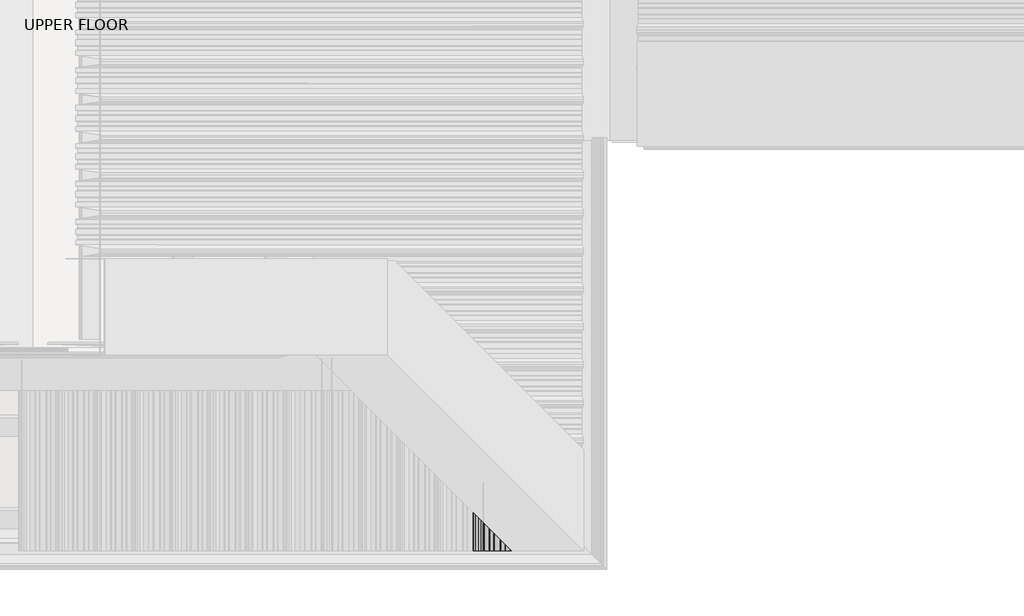
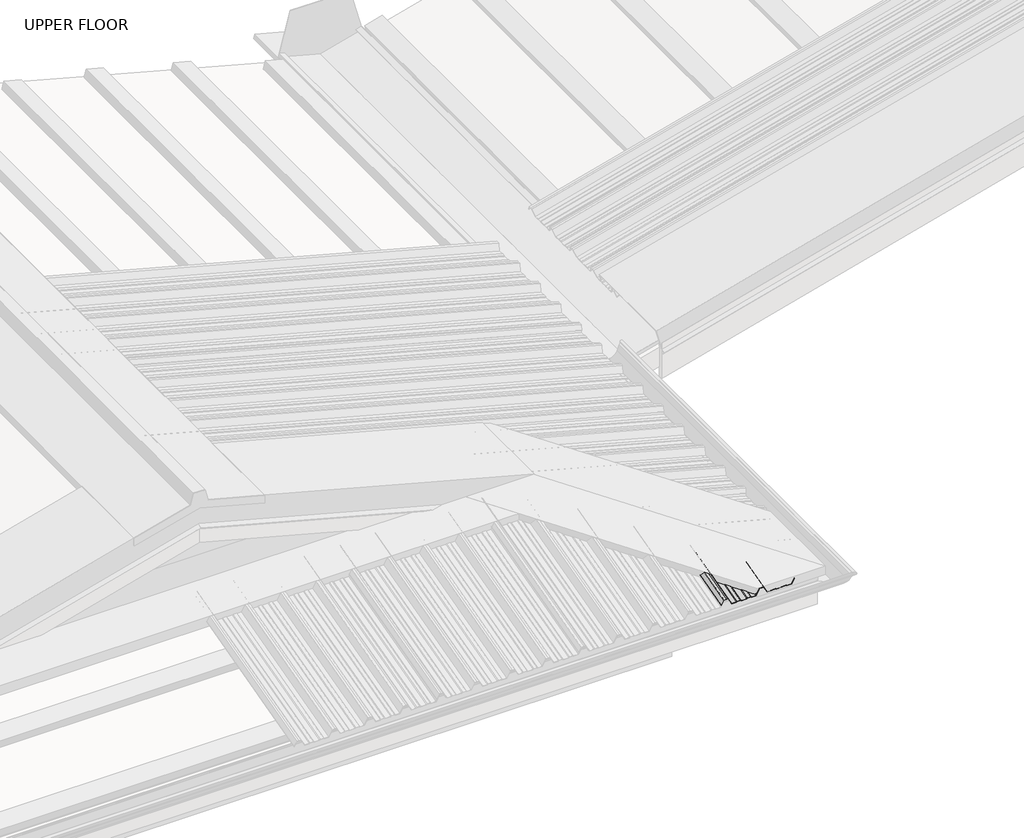
# One storey, part 11 of 21: 1 beam.
"""IFC4 building model written with IfcOpenShell, lengths in millimetres."""

import ifcopenshell
import ifcopenshell.guid

model = None  # the IFC model being written
_history = None  # IfcOwnerHistory: only IFC2X3 demands one
_inside = {}  # id of a spatial element -> (the spatial element, [elements in it])
_under = {}  # id of a project, library or spatial element -> (it, [spatial elements below it])
_declared = {}  # id of a project -> (the project, [libraries it declares])
_typed = {}  # id of a type object -> (the type object, [elements of that type])
_made_of = {}  # id of a material, layer set ... -> (it, [elements and type objects made of it])


def new_model(schema):
    """Start an empty IFC model of exactly this schema.

    Asked for "IFC4X3", IfcOpenShell would pick the latest addendum, in which some entities
    have other attributes; the version numbers below select the first issue.
    IFC2X3 requires an IfcOwnerHistory on every rooted entity: one is made here for all.
    """
    global model, _history
    if schema == "IFC4X3":
        model = ifcopenshell.file(schema_version=(4, 3, 0, 0))
    else:
        model = ifcopenshell.file(schema=schema)
    _inside.clear()
    _under.clear()
    _declared.clear()
    _typed.clear()
    _made_of.clear()
    _history = None
    if model.schema == "IFC2X3":
        org = make("IfcOrganization", Name="unknown")
        user = make(
            "IfcPersonAndOrganization",
            ThePerson=make("IfcPerson", FamilyName="unknown"),
            TheOrganization=org,
        )
        app = make(
            "IfcApplication",
            ApplicationDeveloper=org,
            Version="unknown",
            ApplicationFullName="unknown",
            ApplicationIdentifier="unknown",
        )
        _history = make(
            "IfcOwnerHistory",
            OwningUser=user,
            OwningApplication=app,
            ChangeAction="ADDED",
            CreationDate=0,
        )
    return model


def make(cls, **values):
    """One entity of the class cls with the attributes given. An attribute that is None is left unset."""
    return model.create_entity(
        cls, **{name: value for name, value in values.items() if value is not None}
    )


def rooted(cls, **values):
    """An entity with a GlobalId (a new one), such as an element, a storey or a relation."""
    return make(cls, GlobalId=ifcopenshell.guid.new(), OwnerHistory=_history, **values)


def si_unit(unit_type, name, prefix=None):
    """IfcSIUnit, for example si_unit("LENGTHUNIT", "METRE", prefix="MILLI")."""
    return make("IfcSIUnit", UnitType=unit_type, Prefix=prefix, Name=name)


def assignment(units):
    """IfcUnitAssignment: the units of a project."""
    return None if units is None else make("IfcUnitAssignment", Units=units)


def point(xyz):
    """IfcCartesianPoint."""
    return None if xyz is None else make("IfcCartesianPoint", Coordinates=xyz)


def direction(xyz):
    """IfcDirection."""
    return None if xyz is None else make("IfcDirection", DirectionRatios=xyz)


def frame(location, z_axis=None, x_axis=None):
    """IfcAxis2Placement3D, a coordinate frame: its origin and axes. An axis left out is left unset."""
    return make(
        "IfcAxis2Placement3D",
        Location=point(location),
        Axis=direction(z_axis),
        RefDirection=direction(x_axis),
    )


def origin():
    """The frame at (0, 0, 0) with its axes left unset."""
    return frame((0.0, 0.0, 0.0))


def place(relative_to, where):
    """IfcLocalPlacement: puts the frame where relative to a parent placement (None: the world)."""
    return make(
        "IfcLocalPlacement", PlacementRelTo=relative_to, RelativePlacement=where
    )


def context(
    kind, dimensions, precision=None, world=None, true_north=None, identifier=None
):
    """IfcGeometricRepresentationContext, for example the 3D "Model" context."""
    return make(
        "IfcGeometricRepresentationContext",
        ContextIdentifier=identifier,
        ContextType=kind,
        CoordinateSpaceDimension=dimensions,
        Precision=precision,
        WorldCoordinateSystem=world,
        TrueNorth=true_north,
    )


def project(units=None, contexts=None):
    """IfcProject with its units and contexts."""
    return rooted(
        "IfcProject",
        Name="project",
        RepresentationContexts=contexts,
        UnitsInContext=assignment(units),
    )


def spatial(cls, under=None, at=None, **own):
    """A site, building, storey or space (cls), placed at a placement, below another one or the project."""
    s = rooted(cls, ObjectPlacement=at, **own)
    if under is not None:
        _under.setdefault(under.id(), (under, []))[1].append(s)
    return s


def ellipse_curve(where, semi_axis1, semi_axis2):
    """IfcEllipse in the frame where."""
    return make(
        "IfcEllipse", Position=where, SemiAxis1=semi_axis1, SemiAxis2=semi_axis2
    )


def shape(context_of_items, identifier, shape_type, items):
    """IfcShapeRepresentation: the items that make up one representation, for example the "Body"."""
    return make(
        "IfcShapeRepresentation",
        ContextOfItems=context_of_items,
        RepresentationIdentifier=identifier,
        RepresentationType=shape_type,
        Items=items,
    )


def made_of(thing, what):
    """Note that an element or type object is made of a material, layer set ...; save() writes the relation."""
    if what is not None:
        _made_of.setdefault(what.id(), (what, []))[1].append(thing)
    return thing


def element(
    cls,
    number,
    at=None,
    inside=None,
    cuts=None,
    type_object=None,
    material=None,
    context=None,
    identifier="Body",
    shape_type=None,
    held_by="IfcProductDefinitionShape",
    body=None,
    shapes=None,
    **own,
):
    """One element of the class cls, such as IfcWall. Its Tag is "e" and its number.

    at: its placement. inside: the storey or other place that contains it. cuts: it is an
    opening in that element (IfcRelVoidsElement). A single representation is given by context,
    identifier, shape_type and body (its items); several are given by shapes. held_by: the class
    of the entity that holds the representations. save() writes the other relations.
    """
    e = rooted(cls, Tag="e%d" % number, ObjectPlacement=at, **own)
    if body is not None:
        shapes = [shape(context, identifier, shape_type, body)]
    if shapes is not None:
        e.Representation = make(held_by, Representations=shapes)
    if inside is not None:
        _inside.setdefault(inside.id(), (inside, []))[1].append(e)
    if cuts is not None:
        rooted(
            "IfcRelVoidsElement", RelatingBuildingElement=cuts, RelatedOpeningElement=e
        )
    if type_object is not None:
        _typed.setdefault(type_object.id(), (type_object, []))[1].append(e)
    return made_of(e, material)


def aggregate(whole, parts):
    """IfcRelAggregates: a whole, such as a stair, and the parts it consists of."""
    return rooted("IfcRelAggregates", RelatingObject=whole, RelatedObjects=parts)


def save(model, path):
    """Write the relations noted so far, then the file.

    IfcRelAggregates (storeys below a building ...), IfcRelContainedInSpatialStructure (elements
    in a storey), IfcRelDefinesByType, IfcRelAssociatesMaterial and IfcRelDeclares: one each for
    every whole, place, type object, material and project.
    """
    for whole, parts in _under.values():
        aggregate(whole, parts)
    for where, things in _inside.values():
        rooted(
            "IfcRelContainedInSpatialStructure",
            RelatedElements=things,
            RelatingStructure=where,
        )
    for kind, things in _typed.values():
        rooted("IfcRelDefinesByType", RelatedObjects=things, RelatingType=kind)
    for what, things in _made_of.values():
        rooted("IfcRelAssociatesMaterial", RelatedObjects=things, RelatingMaterial=what)
    for by, libraries in _declared.values():
        rooted("IfcRelDeclares", RelatingContext=by, RelatedDefinitions=libraries)
    model.write(path)


def plane_surface(at):
    """IfcPlane: the flat surface through the origin of the frame at, square to its z axis."""
    return make("IfcPlane", Position=at)


def cylinder_surface(at, radius):
    """IfcCylindricalSurface: all points at the distance radius from the z axis of the frame at."""
    return make("IfcCylindricalSurface", Position=at, Radius=radius)


def advanced_brep(points, edges, surfaces, faces):
    """IfcAdvancedBrep: a solid bounded by faces that lie on surfaces and meet in shared edges.

    An edge is (start, end): straight between two places in points (the first is 0);
    or (start, end, curve); or (start, end, curve, False) where it runs against its curve.
    A face is (place in surfaces, loops), or (place, loops, False) where it looks against
    its surface's normal. A loop lists edges by number (the first is 1), with a minus sign
    where the edge is run from its end to its start. The first loop is the outer one.
    """
    corners = [point(p) for p in points]
    vertices = [make("IfcVertexPoint", VertexGeometry=c) for c in corners]
    made = []
    for start, end, *more in edges:
        made.append(
            make(
                "IfcEdgeCurve",
                EdgeStart=vertices[start],
                EdgeEnd=vertices[end],
                EdgeGeometry=more[0] if more else make("IfcPolyline", Points=[corners[start], corners[end]]),
                SameSense=more[1] if len(more) > 1 else True,
            )
        )
    hull = []
    for where, loops, *sense in faces:
        bounds = []
        for j, loop in enumerate(loops):
            ring = [make("IfcOrientedEdge", EdgeElement=made[abs(k) - 1], Orientation=k > 0) for k in loop]
            bounds.append(
                make(
                    "IfcFaceOuterBound" if j == 0 else "IfcFaceBound",
                    Bound=make("IfcEdgeLoop", EdgeList=ring),
                    Orientation=True,
                )
            )
        hull.append(make("IfcAdvancedFace", Bounds=bounds, FaceSurface=surfaces[where], SameSense=sense[0] if sense else True))
    return make("IfcAdvancedBrep", Outer=make("IfcClosedShell", CfsFaces=hull))


model = new_model("IFC4")

# Units and contexts
model_context = context("Model", 3, world=origin())
ifc_project = project(units=[si_unit("LENGTHUNIT", "METRE", prefix="MILLI")], contexts=[model_context])

# Site, building, storey
site = spatial("IfcSite", under=ifc_project)
building = spatial("IfcBuilding", under=site)
storey = spatial("IfcBuildingStorey", under=building, Name="UPPER FLOOR", Elevation=2700.0)

# Beam
placement = place(None, origin())
element("IfcBeam", 1, ObjectType="MC700", at=placement, inside=storey, context=model_context, shape_type="AdvancedBrep", body=[
    advanced_brep(
    [(4377.2732135, -4599.960525, 3276.3042536), (4381.6535312, -4604.3408427, 3277.2427487), (4381.6535312, -4660.4975954, 3262.1955922), (4377.2732135, -4660.4975954, 3260.0833945), (4350.2151918, -4572.9025033, 3283.5544287), (4350.2151918, -4660.4975954, 3260.0833945), (4345.8348741, -4568.5221856, 3286.840329), (4345.8348741, -4660.4975954, 3262.1955922), (4329.4068828, -4552.0941943, 3291.242196), (4329.4068828, -4660.4975954, 3262.1955922), (4326.1918386, -4548.8791501, 3289.9914667), (4326.1918386, -4660.4975954, 3260.0833945), (4303.4942011, -4526.1815126, 3296.0732804), (4303.4942011, -4660.4975954, 3260.0833945), (4285.4196911, -4508.1070026, 3333.0098923), (4285.4196911, -4660.4975954, 3292.176956), (4274.9942026, -4497.6815141, 3335.8033935), (4274.9942026, -4660.4975954, 3292.176956), (4264.5687142, -4487.2560257, 3338.5968948), (4264.5687142, -4660.4975954, 3292.176956), (4246.4942042, -4469.1815157, 3311.3463835), (4246.4942042, -4660.4975954, 3260.0833945), (4223.7965667, -4446.4838782, 3317.4281972), (4223.7965667, -4660.4975954, 3260.0833945), (4220.5815225, -4443.268834, 3320.4018634), (4220.5815225, -4660.4975954, 3262.1955922), (4204.1535312, -4426.8408427, 3324.8037304), (4204.1535312, -4660.4975954, 3262.1955922), (4199.7732135, -4422.460525, 3323.8652352), (4199.7732135, -4660.4975954, 3260.0833945), (4172.7151918, -4395.4025033, 3331.1154103), (4172.7151918, -4660.4975954, 3260.0833945), (4168.3348741, -4391.0221856, 3334.4013106), (4168.3348741, -4660.4975954, 3262.1955922), (4151.9068828, -4374.5941943, 3338.8031776), (4151.9068828, -4660.4975954, 3262.1955922), (4148.6918386, -4371.3791501, 3337.5524484), (4148.6918386, -4660.4975954, 3260.0833945), (4125.9942011, -4348.6815126, 3343.6342621), (4125.9942011, -4660.4975954, 3260.0833945), (4107.9196911, -4330.6070026, 3380.570874), (4107.9196911, -4660.4975954, 3292.176956), (4097.4942026, -4320.1815141, 3383.3643752), (4097.4942026, -4660.4975954, 3292.176956), (4087.0687142, -4309.7560257, 3386.1578764), (4087.0687142, -4660.4975954, 3292.176956), (4074.7658996, -4297.4532111, 3367.6092138), (4074.7658996, -4660.4975954, 3270.3317642), (4073.9020137, -4296.5893252, 3368.3621471), (4073.9020137, -4660.4975954, 3270.8532199), (4086.4942026, -4309.1815141, 3387.3470925), (4086.4942026, -4660.4975954, 3293.2122322), (4097.4942026, -4320.1815141, 3384.3996514), (4097.4942026, -4660.4975954, 3293.2122322), (4108.4942026, -4331.1815141, 3381.4522103), (4108.4942026, -4660.4975954, 3293.2122322), (4126.5687126, -4349.2560241, 3344.5155983), (4126.5687126, -4660.4975954, 3261.1186706), (4148.4013241, -4371.0886356, 3338.6655677), (4148.4013241, -4660.4975954, 3261.1186706), (4151.6163683, -4374.3036798, 3339.9162969), (4151.6163683, -4660.4975954, 3263.2308683), (4168.5563376, -4391.2436491, 3335.3772458), (4168.5563376, -4660.4975954, 3263.2308683), (4172.9366553, -4395.6239668, 3332.0913455), (4172.9366553, -4660.4975954, 3261.1186706), (4199.55175, -4422.2390615, 3324.9598524), (4199.55175, -4660.4975954, 3261.1186706), (4203.9320677, -4426.6193792, 3325.8983475), (4203.9320677, -4660.4975954, 3263.2308683), (4220.872037, -4443.5593485, 3321.3592964), (4220.872037, -4660.4975954, 3263.2308683), (4224.0870812, -4446.7743927, 3318.3856302), (4224.0870812, -4660.4975954, 3261.1186706), (4245.9196927, -4468.6070041, 3312.5355996), (4245.9196927, -4660.4975954, 3261.1186706), (4263.9942026, -4486.6815141, 3339.7861108), (4263.9942026, -4660.4975954, 3293.2122322), (4274.9942026, -4497.6815141, 3336.8386697), (4274.9942026, -4660.4975954, 3293.2122322), (4285.9942026, -4508.6815141, 3333.8912286), (4285.9942026, -4660.4975954, 3293.2122322), (4304.0687126, -4526.7560241, 3296.9546167), (4304.0687126, -4660.4975954, 3261.1186706), (4325.9013241, -4548.5886356, 3291.1045861), (4325.9013241, -4660.4975954, 3261.1186706), (4329.1163683, -4551.8036798, 3292.3553153), (4329.1163683, -4660.4975954, 3263.2308683), (4346.0563376, -4568.7436491, 3287.8162642), (4346.0563376, -4660.4975954, 3263.2308683), (4350.4366553, -4573.1239668, 3284.5303639), (4350.4366553, -4660.4975954, 3261.1186706), (4377.05175, -4599.7390615, 3277.3988707), (4377.05175, -4660.4975954, 3261.1186706), (4381.4320677, -4604.1193792, 3278.3373659), (4381.4320677, -4660.4975954, 3263.2308683), (4398.372037, -4621.0593485, 3273.7983148), (4398.372037, -4660.4975954, 3263.2308683), (4401.5870812, -4624.2743927, 3270.8246486), (4401.5870812, -4660.4975954, 3261.1186706), (4423.4196927, -4646.1070041, 3264.974618), (4423.4196927, -4660.4975954, 3261.1186706), (4437.810284, -4660.4975954, 3286.6709721), (4423.9942042, -4646.6815157, 3263.7854019), (4437.810284, -4660.4975954, 3284.6155785), (4423.9942042, -4660.4975954, 3260.0833945), (4401.2965667, -4623.9838782, 3269.8672155), (4401.2965667, -4660.4975954, 3260.0833945), (4398.0815225, -4620.768834, 3272.8408817), (4398.0815225, -4660.4975954, 3262.1955922)],
    [
        (0, 1),
        (1, 2),
        (2, 3),
        (3, 0),
        (4, 0),
        (3, 5),
        (5, 4),
        (6, 4),
        (5, 7),
        (7, 6),
        (8, 6),
        (7, 9),
        (9, 8),
        (10, 8),
        (9, 11),
        (11, 10),
        (12, 10),
        (11, 13),
        (13, 12),
        (14, 12),
        (13, 15),
        (15, 14),
        (16, 14),
        (15, 17),
        (17, 16),
        (18, 16),
        (17, 19),
        (19, 18),
        (20, 18),
        (19, 21),
        (21, 20),
        (22, 20),
        (21, 23),
        (23, 22),
        (24, 22),
        (23, 25),
        (25, 24),
        (26, 24),
        (25, 27),
        (27, 26),
        (28, 26),
        (27, 29),
        (29, 28),
        (30, 28),
        (29, 31),
        (31, 30),
        (32, 30),
        (31, 33),
        (33, 32),
        (34, 32),
        (33, 35),
        (35, 34),
        (36, 34),
        (35, 37),
        (37, 36),
        (38, 36),
        (37, 39),
        (39, 38),
        (40, 38),
        (39, 41),
        (41, 40),
        (42, 40),
        (41, 43),
        (43, 42),
        (44, 42),
        (43, 45),
        (45, 44),
        (46, 44),
        (45, 47),
        (47, 46),
        (48, 46, ellipse_curve(frame((4074.3339567, -4297.0212681, 3367.9856804), z_axis=(-0.7071067811865475, -0.7071067811865476, 0.0), x_axis=(-0.6612248329466449, 0.6612248329466448, 0.3543493200069154)), 0.7320508, 0.5)),
        (47, 49, ellipse_curve(frame((4074.3339567, -4660.4975954, 3270.5924921), z_axis=(0.0, 1.0, 0.0), x_axis=(0.0, 0.0, 1.0)), 0.5176381, 0.5)),
        (49, 48),
        (50, 48),
        (49, 51),
        (51, 50),
        (52, 50),
        (51, 53),
        (53, 52),
        (54, 52),
        (53, 55),
        (55, 54),
        (56, 54),
        (55, 57),
        (57, 56),
        (58, 56),
        (57, 59),
        (59, 58),
        (60, 58),
        (59, 61),
        (61, 60),
        (62, 60),
        (61, 63),
        (63, 62),
        (64, 62),
        (63, 65),
        (65, 64),
        (66, 64),
        (65, 67),
        (67, 66),
        (68, 66),
        (67, 69),
        (69, 68),
        (70, 68),
        (69, 71),
        (71, 70),
        (72, 70),
        (71, 73),
        (73, 72),
        (74, 72),
        (73, 75),
        (75, 74),
        (76, 74),
        (75, 77),
        (77, 76),
        (78, 76),
        (77, 79),
        (79, 78),
        (80, 78),
        (79, 81),
        (81, 80),
        (82, 80),
        (81, 83),
        (83, 82),
        (84, 82),
        (83, 85),
        (85, 84),
        (86, 84),
        (85, 87),
        (87, 86),
        (88, 86),
        (87, 89),
        (89, 88),
        (90, 88),
        (89, 91),
        (91, 90),
        (92, 90),
        (91, 93),
        (93, 92),
        (94, 92),
        (93, 95),
        (95, 94),
        (96, 94),
        (95, 97),
        (97, 96),
        (98, 96),
        (97, 99),
        (99, 98),
        (100, 98),
        (99, 101),
        (101, 100),
        (102, 100),
        (101, 102),
        (103, 104),
        (104, 105),
        (105, 103),
        (106, 103),
        (105, 107),
        (107, 106),
        (108, 106),
        (107, 109),
        (109, 108),
        (1, 108),
        (109, 2),
        (102, 104),
    ],
    [
        plane_surface(frame((4381.6535312, -3757.2355366, 3504.2239314), z_axis=(0.42221886042244317, 0.23461789175161535, -0.8756058923817271), x_axis=(0.0, -0.9659258262890683, -0.2588190451025206))),
        plane_surface(frame((4377.2732135, -3756.7074872, 3502.2532241), z_axis=(0.0, 0.2588190451025206, -0.9659258262890683), x_axis=(0.0, -0.9659258262890683, -0.2588190451025206))),
        plane_surface(frame((4350.2151918, -3756.7074872, 3502.2532241), z_axis=(-0.42221886042244317, 0.23461789175161676, -0.8756058923817267), x_axis=(0.0, -0.9659258262890683, -0.2588190451025206))),
        plane_surface(frame((4345.8348741, -3757.2355366, 3504.2239314), z_axis=(0.0, 0.2588190451025206, -0.9659258262890683), x_axis=(0.0, -0.9659258262890683, -0.2588190451025206))),
        plane_surface(frame((4329.4068828, -3757.2355366, 3504.2239314), z_axis=(0.5358075541289593, 0.21853130769187554, -0.8155699433505511), x_axis=(0.0, -0.9659258262890683, -0.2588190451025206))),
        plane_surface(frame((4326.1918386, -3756.7074872, 3502.2532241), z_axis=(0.0, 0.2588190451025206, -0.9659258262890683), x_axis=(0.0, -0.9659258262890683, -0.2588190451025206))),
        plane_surface(frame((4303.4942011, -3756.7074872, 3502.2532241), z_axis=(-0.8638858976217886, 0.1303639327417882, -0.4865248204668401), x_axis=(0.0, -0.9659258262890683, -0.2588190451025206))),
        plane_surface(frame((4285.4196911, -3764.7308776, 3532.1969247), z_axis=(0.0, 0.2588190451025206, -0.9659258262890683), x_axis=(0.0, -0.9659258262890683, -0.2588190451025206))),
        plane_surface(frame((4274.9942026, -3764.7308776, 3532.1969247), z_axis=(0.0, 0.2588190451025206, -0.9659258262890683), x_axis=(0.0, -0.9659258262890683, -0.2588190451025206))),
        plane_surface(frame((4264.5687142, -3764.7308776, 3532.1969247), z_axis=(0.8638858976217945, 0.13036393274178276, -0.4865248204668313), x_axis=(0.0, -0.9659258262890683, -0.2588190451025206))),
        plane_surface(frame((4246.4942042, -3756.7074872, 3502.2532241), z_axis=(0.0, 0.2588190451025206, -0.9659258262890683), x_axis=(0.0, -0.9659258262890683, -0.2588190451025206))),
        plane_surface(frame((4223.7965667, -3756.7074872, 3502.2532241), z_axis=(-0.53580755412894, 0.21853130769188048, -0.8155699433505624), x_axis=(0.0, -0.9659258262890683, -0.2588190451025206))),
        plane_surface(frame((4220.5815225, -3757.2355366, 3504.2239314), z_axis=(0.0, 0.2588190451025206, -0.9659258262890683), x_axis=(0.0, -0.9659258262890683, -0.2588190451025206))),
        plane_surface(frame((4204.1535312, -3757.2355366, 3504.2239314), z_axis=(0.42221886042244033, 0.23461789175161574, -0.8756058923817285), x_axis=(0.0, -0.9659258262890683, -0.2588190451025206))),
        plane_surface(frame((4199.7732135, -3756.7074872, 3502.2532241), z_axis=(0.0, 0.2588190451025206, -0.9659258262890683), x_axis=(0.0, -0.9659258262890683, -0.2588190451025206))),
        plane_surface(frame((4172.7151918, -3756.7074872, 3502.2532241), z_axis=(-0.42221886042244317, 0.23461789175161682, -0.8756058923817267), x_axis=(0.0, -0.9659258262890683, -0.2588190451025206))),
        plane_surface(frame((4168.3348741, -3757.2355366, 3504.2239314), z_axis=(0.0, 0.2588190451025206, -0.9659258262890683), x_axis=(0.0, -0.9659258262890683, -0.2588190451025206))),
        plane_surface(frame((4151.9068828, -3757.2355366, 3504.2239314), z_axis=(0.5358075541289592, 0.21853130769187545, -0.8155699433505511), x_axis=(0.0, -0.9659258262890683, -0.2588190451025206))),
        plane_surface(frame((4148.6918386, -3756.7074872, 3502.2532241), z_axis=(0.0, 0.2588190451025206, -0.9659258262890683), x_axis=(0.0, -0.9659258262890683, -0.2588190451025206))),
        plane_surface(frame((4125.9942011, -3756.7074872, 3502.2532241), z_axis=(-0.8638858976217886, 0.1303639327417882, -0.4865248204668401), x_axis=(0.0, -0.9659258262890683, -0.2588190451025206))),
        plane_surface(frame((4107.9196911, -3764.7308776, 3532.1969247), z_axis=(0.0, 0.2588190451025206, -0.9659258262890683), x_axis=(0.0, -0.9659258262890683, -0.2588190451025206))),
        plane_surface(frame((4097.4942026, -3764.7308776, 3532.1969247), z_axis=(0.0, 0.2588190451025205, -0.9659258262890683), x_axis=(0.0, -0.9659258262890683, -0.2588190451025205))),
        plane_surface(frame((4087.0687142, -3764.7308776, 3532.1969247), z_axis=(0.863885897621789, 0.13036393274178507, -0.48652482046684037), x_axis=(0.0, -0.9659258262890683, -0.2588190451025206))),
        cylinder_surface(frame((4074.3339567, -4672.135119, 3267.474227), z_axis=(0.0, 0.9659258262890683, 0.2588190451025206), x_axis=(-1.0000000000000002, 0.0, 0.0)), 0.5),
        plane_surface(frame((4073.9020137, -3759.3999436, 3512.301608), z_axis=(-0.8638858976218092, -0.1303639327417763, 0.48652482046680706), x_axis=(0.0, -0.9659258262890683, -0.25881904510252063))),
        plane_surface(frame((4086.4942026, -3764.9896966, 3533.1628505), z_axis=(0.0, -0.2588190451025205, 0.9659258262890683), x_axis=(0.0, -0.9659258262890683, -0.2588190451025205))),
        plane_surface(frame((4097.4942026, -3764.9896966, 3533.1628505), z_axis=(0.0, -0.2588190451025206, 0.9659258262890683), x_axis=(0.0, -0.9659258262890683, -0.2588190451025206))),
        plane_surface(frame((4108.4942026, -3764.9896966, 3533.1628505), z_axis=(0.8638858976217886, -0.13036393274178834, 0.48652482046684004), x_axis=(0.0, -0.9659258262890683, -0.25881904510252063))),
        plane_surface(frame((4126.5687126, -3756.9663062, 3503.2191499), z_axis=(0.0, -0.2588190451025206, 0.9659258262890683), x_axis=(0.0, -0.9659258262890683, -0.2588190451025206))),
        plane_surface(frame((4148.4013241, -3756.9663062, 3503.2191499), z_axis=(-0.5358075541289432, -0.21853130769187817, 0.8155699433505609), x_axis=(0.0, -0.9659258262890683, -0.2588190451025206))),
        plane_surface(frame((4151.6163683, -3757.4943557, 3505.1898572), z_axis=(0.0, -0.2588190451025206, 0.9659258262890683), x_axis=(0.0, -0.9659258262890683, -0.2588190451025206))),
        plane_surface(frame((4168.5563376, -3757.4943557, 3505.1898572), z_axis=(0.42221886042244605, -0.2346178917516165, 0.8756058923817254), x_axis=(0.0, -0.9659258262890683, -0.25881904510252063))),
        plane_surface(frame((4172.9366553, -3756.9663062, 3503.2191499), z_axis=(0.0, -0.2588190451025206, 0.9659258262890683), x_axis=(0.0, -0.9659258262890683, -0.2588190451025206))),
        plane_surface(frame((4199.55175, -3756.9663062, 3503.2191499), z_axis=(-0.4222188604224378, -0.23461789175161601, 0.8756058923817296), x_axis=(0.0, -0.9659258262890683, -0.2588190451025206))),
        plane_surface(frame((4203.9320677, -3757.4943557, 3505.1898572), z_axis=(0.0, -0.2588190451025206, 0.9659258262890683), x_axis=(0.0, -0.9659258262890683, -0.2588190451025206))),
        plane_surface(frame((4220.872037, -3757.4943557, 3505.1898572), z_axis=(0.5358075541289593, -0.21853130769187734, 0.8155699433505507), x_axis=(0.0, -0.9659258262890683, -0.2588190451025206))),
        plane_surface(frame((4224.0870812, -3756.9663062, 3503.2191499), z_axis=(0.0, -0.2588190451025206, 0.9659258262890683), x_axis=(0.0, -0.9659258262890683, -0.2588190451025206))),
        plane_surface(frame((4245.9196927, -3756.9663062, 3503.2191499), z_axis=(-0.8638858976217945, -0.13036393274178268, 0.4865248204668312), x_axis=(0.0, -0.9659258262890683, -0.2588190451025206))),
        plane_surface(frame((4263.9942026, -3764.9896966, 3533.1628505), z_axis=(0.0, -0.2588190451025206, 0.9659258262890683), x_axis=(0.0, -0.9659258262890683, -0.2588190451025206))),
        plane_surface(frame((4274.9942026, -3764.9896966, 3533.1628505), z_axis=(0.0, -0.2588190451025206, 0.9659258262890683), x_axis=(0.0, -0.9659258262890683, -0.2588190451025206))),
        plane_surface(frame((4285.9942026, -3764.9896966, 3533.1628505), z_axis=(0.8638858976217904, -0.1303639327417875, 0.4865248204668373), x_axis=(0.0, -0.9659258262890683, -0.2588190451025206))),
        plane_surface(frame((4304.0687126, -3756.9663062, 3503.2191499), z_axis=(0.0, -0.2588190451025206, 0.9659258262890683), x_axis=(0.0, -0.9659258262890683, -0.2588190451025206))),
        plane_surface(frame((4325.9013241, -3756.9663062, 3503.2191499), z_axis=(-0.5358075541289592, -0.2185313076918755, 0.8155699433505511), x_axis=(0.0, -0.9659258262890683, -0.2588190451025206))),
        plane_surface(frame((4329.1163683, -3757.4943557, 3505.1898572), z_axis=(0.0, -0.2588190451025206, 0.9659258262890683), x_axis=(0.0, -0.9659258262890683, -0.2588190451025206))),
        plane_surface(frame((4346.0563376, -3757.4943557, 3505.1898572), z_axis=(0.42221886042245393, -0.2346178917516155, 0.8756058923817218), x_axis=(0.0, -0.9659258262890683, -0.2588190451025206))),
        plane_surface(frame((4350.4366553, -3756.9663062, 3503.2191499), z_axis=(0.0, -0.2588190451025206, 0.9659258262890683), x_axis=(0.0, -0.9659258262890683, -0.2588190451025206))),
        plane_surface(frame((4377.05175, -3756.9663062, 3503.2191499), z_axis=(-0.4222188604224407, -0.23461789175161568, 0.8756058923817283), x_axis=(0.0, -0.9659258262890683, -0.2588190451025206))),
        plane_surface(frame((4381.4320677, -3757.4943557, 3505.1898572), z_axis=(0.0, -0.2588190451025206, 0.9659258262890683), x_axis=(0.0, -0.9659258262890683, -0.2588190451025206))),
        plane_surface(frame((4398.372037, -3757.4943557, 3505.1898572), z_axis=(0.5358075541289656, -0.21853130769187631, 0.8155699433505468), x_axis=(0.0, -0.9659258262890683, -0.2588190451025206))),
        plane_surface(frame((4401.5870812, -3756.9663062, 3503.2191499), z_axis=(0.0, -0.2588190451025206, 0.9659258262890683), x_axis=(0.0, -0.9659258262890683, -0.2588190451025206))),
        plane_surface(frame((4423.4196927, -3756.9663062, 3503.2191499), z_axis=(-0.8638858976217904, -0.13036393274178446, 0.48652482046683787), x_axis=(0.0, -0.9659258262890683, -0.2588190451025206))),
        plane_surface(frame((4442.0687142, -3764.7308776, 3532.1969247), z_axis=(0.8638858976217945, 0.13036393274178268, -0.4865248204668312), x_axis=(0.0, -0.9659258262890683, -0.2588190451025206))),
        plane_surface(frame((4423.9942042, -3756.7074872, 3502.2532241), z_axis=(0.0, 0.2588190451025206, -0.9659258262890683), x_axis=(0.0, -0.9659258262890683, -0.2588190451025206))),
        plane_surface(frame((4401.2965667, -3756.7074872, 3502.2532241), z_axis=(-0.5358075541289464, 0.21853130769187948, -0.8155699433505585), x_axis=(0.0, -0.9659258262890683, -0.2588190451025206))),
        plane_surface(frame((4398.0815225, -3757.2355366, 3504.2239314), z_axis=(0.0, 0.2588190451025206, -0.9659258262890683), x_axis=(0.0, -0.9659258262890683, -0.2588190451025206))),
        plane_surface(frame((5637.9249385, -5860.61225, 4168.077193), z_axis=(0.7071067811865475, 0.7071067811865476, 0.0), x_axis=(0.0, 0.0, -1.0))),
        plane_surface(frame((-1839.2547497, -4660.4975954, 4094.1480288), z_axis=(0.0, -1.0, 0.0), x_axis=(0.0, 0.0, -1.0))),
    ],
    [
        (0, [[1, 2, 3, 4]]),
        (1, [[5, -4, 6, 7]]),
        (2, [[8, -7, 9, 10]]),
        (3, [[11, -10, 12, 13]]),
        (4, [[14, -13, 15, 16]]),
        (5, [[17, -16, 18, 19]]),
        (6, [[20, -19, 21, 22]]),
        (7, [[23, -22, 24, 25]]),
        (8, [[26, -25, 27, 28]]),
        (9, [[29, -28, 30, 31]]),
        (10, [[32, -31, 33, 34]]),
        (11, [[35, -34, 36, 37]]),
        (12, [[38, -37, 39, 40]]),
        (13, [[41, -40, 42, 43]]),
        (14, [[44, -43, 45, 46]]),
        (15, [[47, -46, 48, 49]]),
        (16, [[50, -49, 51, 52]]),
        (17, [[53, -52, 54, 55]]),
        (18, [[56, -55, 57, 58]]),
        (19, [[59, -58, 60, 61]]),
        (20, [[62, -61, 63, 64]]),
        (21, [[65, -64, 66, 67]]),
        (22, [[68, -67, 69, 70]]),
        (23, [[71, -70, 72, 73]]),
        (24, [[74, -73, 75, 76]]),
        (25, [[77, -76, 78, 79]]),
        (26, [[80, -79, 81, 82]]),
        (27, [[83, -82, 84, 85]]),
        (28, [[86, -85, 87, 88]]),
        (29, [[89, -88, 90, 91]]),
        (30, [[92, -91, 93, 94]]),
        (31, [[95, -94, 96, 97]]),
        (32, [[98, -97, 99, 100]]),
        (33, [[101, -100, 102, 103]]),
        (34, [[104, -103, 105, 106]]),
        (35, [[107, -106, 108, 109]]),
        (36, [[110, -109, 111, 112]]),
        (37, [[113, -112, 114, 115]]),
        (38, [[116, -115, 117, 118]]),
        (39, [[119, -118, 120, 121]]),
        (40, [[122, -121, 123, 124]]),
        (41, [[125, -124, 126, 127]]),
        (42, [[128, -127, 129, 130]]),
        (43, [[131, -130, 132, 133]]),
        (44, [[134, -133, 135, 136]]),
        (45, [[137, -136, 138, 139]]),
        (46, [[140, -139, 141, 142]]),
        (47, [[143, -142, 144, 145]]),
        (48, [[146, -145, 147, 148]]),
        (49, [[149, -148, 150, 151]]),
        (50, [[152, -151, 153]]),
        (51, [[154, 155, 156]]),
        (52, [[157, -156, 158, 159]]),
        (53, [[160, -159, 161, 162]]),
        (54, [[163, -162, 164, -2]]),
        (55, [[-1, -5, -8, -11, -14, -17, -20, -23, -26, -29, -32, -35, -38, -41, -44, -47, -50, -53, -56, -59, -62, -65, -68, -71, -74, -77, -80, -83, -86, -89, -92, -95, -98, -101, -104, -107, -110, -113, -116, -119, -122, -125, -128, -131, -134, -137, -140, -143, -146, -149, -152, 165, -154, -157, -160, -163]]),
        (56, [[-3, -164, -161, -158, -155, -165, -153, -150, -147, -144, -141, -138, -135, -132, -129, -126, -123, -120, -117, -114, -111, -108, -105, -102, -99, -96, -93, -90, -87, -84, -81, -78, -75, -72, -69, -66, -63, -60, -57, -54, -51, -48, -45, -42, -39, -36, -33, -30, -27, -24, -21, -18, -15, -12, -9, -6]]),
    ],
),
])

save(model, "model.ifc")
